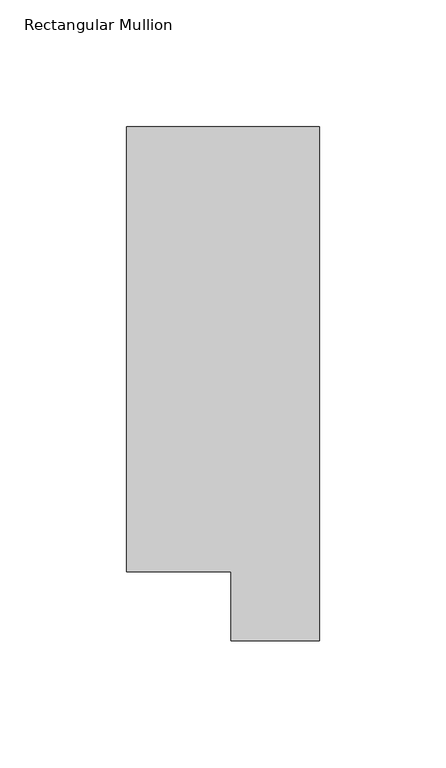
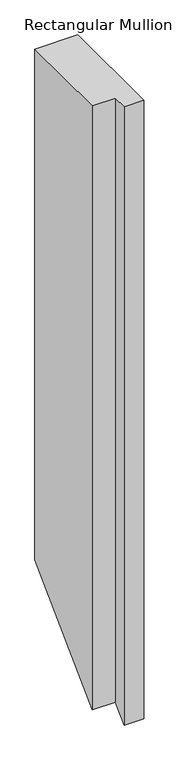
"""IFC4 building model written with IfcOpenShell, lengths in millimetres: member geometry, Rectangular Mullion."""

import ifcopenshell
import ifcopenshell.guid

model = None  # the IFC model being written
_history = None  # IfcOwnerHistory: only IFC2X3 demands one
_inside = {}  # id of a spatial element -> (the spatial element, [elements in it])
_under = {}  # id of a project, library or spatial element -> (it, [spatial elements below it])
_declared = {}  # id of a project -> (the project, [libraries it declares])
_typed = {}  # id of a type object -> (the type object, [elements of that type])
_made_of = {}  # id of a material, layer set ... -> (it, [elements and type objects made of it])


def new_model(schema):
    """Start an empty IFC model of exactly this schema.

    Asked for "IFC4X3", IfcOpenShell would pick the latest addendum, in which some entities
    have other attributes; the version numbers below select the first issue.
    IFC2X3 requires an IfcOwnerHistory on every rooted entity: one is made here for all.
    """
    global model, _history
    if schema == "IFC4X3":
        model = ifcopenshell.file(schema_version=(4, 3, 0, 0))
    else:
        model = ifcopenshell.file(schema=schema)
    _inside.clear()
    _under.clear()
    _declared.clear()
    _typed.clear()
    _made_of.clear()
    _history = None
    if model.schema == "IFC2X3":
        org = make("IfcOrganization", Name="unknown")
        user = make(
            "IfcPersonAndOrganization",
            ThePerson=make("IfcPerson", FamilyName="unknown"),
            TheOrganization=org,
        )
        app = make(
            "IfcApplication",
            ApplicationDeveloper=org,
            Version="unknown",
            ApplicationFullName="unknown",
            ApplicationIdentifier="unknown",
        )
        _history = make(
            "IfcOwnerHistory",
            OwningUser=user,
            OwningApplication=app,
            ChangeAction="ADDED",
            CreationDate=0,
        )
    return model


def make(cls, **values):
    """One entity of the class cls with the attributes given. An attribute that is None is left unset."""
    return model.create_entity(
        cls, **{name: value for name, value in values.items() if value is not None}
    )


def rooted(cls, **values):
    """An entity with a GlobalId (a new one), such as an element, a storey or a relation."""
    return make(cls, GlobalId=ifcopenshell.guid.new(), OwnerHistory=_history, **values)


def si_unit(unit_type, name, prefix=None):
    """IfcSIUnit, for example si_unit("LENGTHUNIT", "METRE", prefix="MILLI")."""
    return make("IfcSIUnit", UnitType=unit_type, Prefix=prefix, Name=name)


def assignment(units):
    """IfcUnitAssignment: the units of a project."""
    return None if units is None else make("IfcUnitAssignment", Units=units)


def point(xyz):
    """IfcCartesianPoint."""
    return None if xyz is None else make("IfcCartesianPoint", Coordinates=xyz)


def direction(xyz):
    """IfcDirection."""
    return None if xyz is None else make("IfcDirection", DirectionRatios=xyz)


def frame(location, z_axis=None, x_axis=None):
    """IfcAxis2Placement3D, a coordinate frame: its origin and axes. An axis left out is left unset."""
    return make(
        "IfcAxis2Placement3D",
        Location=point(location),
        Axis=direction(z_axis),
        RefDirection=direction(x_axis),
    )


def origin():
    """The frame at (0, 0, 0) with its axes left unset."""
    return frame((0.0, 0.0, 0.0))


def place(relative_to, where):
    """IfcLocalPlacement: puts the frame where relative to a parent placement (None: the world)."""
    return make(
        "IfcLocalPlacement", PlacementRelTo=relative_to, RelativePlacement=where
    )


def context(
    kind, dimensions, precision=None, world=None, true_north=None, identifier=None
):
    """IfcGeometricRepresentationContext, for example the 3D "Model" context."""
    return make(
        "IfcGeometricRepresentationContext",
        ContextIdentifier=identifier,
        ContextType=kind,
        CoordinateSpaceDimension=dimensions,
        Precision=precision,
        WorldCoordinateSystem=world,
        TrueNorth=true_north,
    )


def project(units=None, contexts=None):
    """IfcProject with its units and contexts."""
    return rooted(
        "IfcProject",
        Name="project",
        RepresentationContexts=contexts,
        UnitsInContext=assignment(units),
    )


def spatial(cls, under=None, at=None, **own):
    """A site, building, storey or space (cls), placed at a placement, below another one or the project."""
    s = rooted(cls, ObjectPlacement=at, **own)
    if under is not None:
        _under.setdefault(under.id(), (under, []))[1].append(s)
    return s


def faces_of(points, faces, orient=None, outer=None):
    """IfcFace entities. A face is a list of loops; a loop is a list of indices into points, from 0.

    orient and outer hold one flag for each loop. By default every Orientation is true, the
    first loop of a face is its IfcFaceOuterBound and the others are IfcFaceBound.
    """
    made = []
    for i, loops in enumerate(faces):
        bounds = []
        for j, loop in enumerate(loops):
            is_outer = j == 0 if outer is None else outer[i][j]
            bounds.append(
                make(
                    "IfcFaceOuterBound" if is_outer else "IfcFaceBound",
                    Bound=make("IfcPolyLoop", Polygon=[points[k] for k in loop]),
                    Orientation=True if orient is None else orient[i][j],
                )
            )
        made.append(make("IfcFace", Bounds=bounds))
    return made


def faceted_brep(points, faces, orient=None, outer=None, voids=None):
    """IfcFacetedBrep: a solid bounded by flat faces; with voids (closed shells), ...WithVoids."""
    shared = [point(p) for p in points]
    hull = make("IfcClosedShell", CfsFaces=faces_of(shared, faces, orient, outer))
    if voids is None:
        return make("IfcFacetedBrep", Outer=hull)
    return make(
        "IfcFacetedBrepWithVoids",
        Outer=hull,
        Voids=[
            make(cls, CfsFaces=faces_of(shared, fs, o, b)) for cls, fs, o, b in voids
        ],
    )


def shape(context_of_items, identifier, shape_type, items):
    """IfcShapeRepresentation: the items that make up one representation, for example the "Body"."""
    return make(
        "IfcShapeRepresentation",
        ContextOfItems=context_of_items,
        RepresentationIdentifier=identifier,
        RepresentationType=shape_type,
        Items=items,
    )


def source(mapping_origin, context_of_items, identifier, shape_type, items):
    """IfcRepresentationMap: a shape defined once, which mapped items show again and again."""
    return make(
        "IfcRepresentationMap",
        MappingOrigin=mapping_origin,
        MappedRepresentation=shape(context_of_items, identifier, shape_type, items),
    )


def transform(
    local_origin,
    x_axis=None,
    y_axis=None,
    z_axis=None,
    scale=None,
    scale2=None,
    scale3=None,
    uniform=True,
):
    """IfcCartesianTransformationOperator3D, or its non-uniform kind. x_axis, y_axis, z_axis: its Axis1, 2, 3."""
    if uniform:
        return make(
            "IfcCartesianTransformationOperator3D",
            Axis1=direction(x_axis),
            Axis2=direction(y_axis),
            LocalOrigin=point(local_origin),
            Scale=scale,
            Axis3=direction(z_axis),
        )
    return make(
        "IfcCartesianTransformationOperator3DnonUniform",
        Axis1=direction(x_axis),
        Axis2=direction(y_axis),
        LocalOrigin=point(local_origin),
        Scale=scale,
        Axis3=direction(z_axis),
        Scale2=scale2,
        Scale3=scale3,
    )


def mapped(mapping_source, mapping_target):
    """IfcMappedItem: shows the shape of a source again, moved by a transform."""
    return make(
        "IfcMappedItem", MappingSource=mapping_source, MappingTarget=mapping_target
    )


def made_of(thing, what):
    """Note that an element or type object is made of a material, layer set ...; save() writes the relation."""
    if what is not None:
        _made_of.setdefault(what.id(), (what, []))[1].append(thing)
    return thing


def element(
    cls,
    number,
    at=None,
    inside=None,
    cuts=None,
    type_object=None,
    material=None,
    context=None,
    identifier="Body",
    shape_type=None,
    held_by="IfcProductDefinitionShape",
    body=None,
    shapes=None,
    **own,
):
    """One element of the class cls, such as IfcWall. Its Tag is "e" and its number.

    at: its placement. inside: the storey or other place that contains it. cuts: it is an
    opening in that element (IfcRelVoidsElement). A single representation is given by context,
    identifier, shape_type and body (its items); several are given by shapes. held_by: the class
    of the entity that holds the representations. save() writes the other relations.
    """
    e = rooted(cls, Tag="e%d" % number, ObjectPlacement=at, **own)
    if body is not None:
        shapes = [shape(context, identifier, shape_type, body)]
    if shapes is not None:
        e.Representation = make(held_by, Representations=shapes)
    if inside is not None:
        _inside.setdefault(inside.id(), (inside, []))[1].append(e)
    if cuts is not None:
        rooted(
            "IfcRelVoidsElement", RelatingBuildingElement=cuts, RelatedOpeningElement=e
        )
    if type_object is not None:
        _typed.setdefault(type_object.id(), (type_object, []))[1].append(e)
    return made_of(e, material)


def aggregate(whole, parts):
    """IfcRelAggregates: a whole, such as a stair, and the parts it consists of."""
    return rooted("IfcRelAggregates", RelatingObject=whole, RelatedObjects=parts)


def save(model, path):
    """Write the relations noted so far, then the file.

    IfcRelAggregates (storeys below a building ...), IfcRelContainedInSpatialStructure (elements
    in a storey), IfcRelDefinesByType, IfcRelAssociatesMaterial and IfcRelDeclares: one each for
    every whole, place, type object, material and project.
    """
    for whole, parts in _under.values():
        aggregate(whole, parts)
    for where, things in _inside.values():
        rooted(
            "IfcRelContainedInSpatialStructure",
            RelatedElements=things,
            RelatingStructure=where,
        )
    for kind, things in _typed.values():
        rooted("IfcRelDefinesByType", RelatedObjects=things, RelatingType=kind)
    for what, things in _made_of.values():
        rooted("IfcRelAssociatesMaterial", RelatedObjects=things, RelatingMaterial=what)
    for by, libraries in _declared.values():
        rooted("IfcRelDeclares", RelatingContext=by, RelatedDefinitions=libraries)
    model.write(path)


def rectangular_mullion_e60e4b76(model_context):
    return source(origin(), model_context, "Body", "Brep", [
        faceted_brep([(0.0, 222.5381312, 0.0), (-76.2, 222.5381312, 0.0), (-76.2, 46.7447302, 0.0), (-34.9123, 46.7447302, 0.0), (-34.9123, 19.5667312, 0.0), (0.0, 19.5667312, 0.0), (0.0, 222.5381312, -958.8812916), (-76.2, 222.5381312, -958.8812916), (-76.2, 46.7447302, -1134.6746927), (-34.9123, 46.7447302, -1134.6746927), (-34.9123, 19.5667312, -1161.8526916), (0.0, 19.5667312, -1161.8526916)], [[[0, 1, 2, 3, 4, 5]], [[1, 0, 6, 7]], [[2, 1, 7, 8]], [[3, 2, 8, 9]], [[4, 3, 9, 10]], [[5, 4, 10, 11]], [[0, 5, 11, 6]], [[6, 11, 10, 9, 8, 7]]]),
    ])


if __name__ == "__main__":
    model = new_model("IFC4")
    model_context = context("Model", 3, world=origin())
    ifc_project = project(units=[si_unit("LENGTHUNIT", "METRE", prefix="MILLI")], contexts=[model_context])
    site = spatial("IfcSite", under=ifc_project)
    building = spatial("IfcBuilding", under=site)
    placement = place(None, origin())
    rectangular_mullion_shape = rectangular_mullion_e60e4b76(model_context)
    element("IfcMember", 1, ObjectType="Rectangular Mullion", at=placement, inside=building, context=model_context, shape_type="MappedRepresentation", body=[
        mapped(rectangular_mullion_shape, transform((0.0, 0.0, 0.0), x_axis=(1.0, 0.0, 0.0), y_axis=(0.0, 1.0, 0.0), z_axis=(0.0, 0.0, 1.0))),
    ])
    save(model, "model.ifc")
